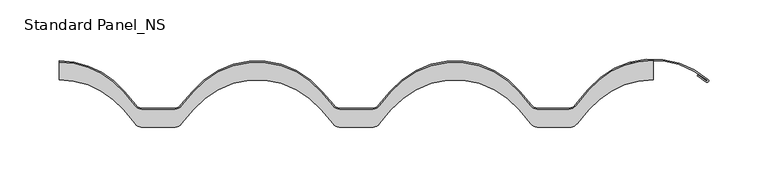
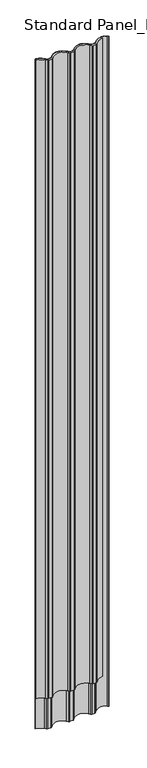
"""IFC4 building model written with IfcOpenShell, lengths in millimetres: proxy geometry, Standard Panel_NS."""

from ifc_helpers import new_model, si_unit, point, frame, frame_2d, origin, origin_with_axes, place, context, project, spatial, polyline, circle_curve, trimmed, segment, composite_curve, outline, extrude, source, transform, mapped, element, save


def standard_panel_ns_e6934e22(model_context):
    return source(origin(), model_context, "Body", "SweptSolid", [
        extrude(outline(composite_curve([segment(polyline([(-196.3208854, 29.9680851), (-186.533736, 18.3042146)]), True, "CONTINUOUS"), segment(trimmed(circle_curve(frame_2d((-179.4478249, 24.25)), 9.25), [point((-186.533736, 18.3042146))], [point((-179.4478249, 15.0))], True, "CARTESIAN"), True, "CONTINUOUS"), segment(polyline([(-179.4478249, 15.0), (-153.8901754, 15.0)]), True, "CONTINUOUS"), segment(trimmed(circle_curve(frame_2d((-153.8901754, 24.25)), 9.25), [point((-153.8901754, 15.0))], [point((-146.8042643, 18.3042146))], True, "CARTESIAN"), True, "CONTINUOUS"), segment(polyline([(-146.8042643, 18.3042146), (-137.0171149, 29.9680851)]), True, "CONTINUOUS"), segment(trimmed(circle_curve(frame_2d((-83.3360002, -15.0757185)), 70.0757185), [point((-137.0171149, 29.9680851))], [point((-29.6548854, 29.9680851))], False, "CARTESIAN"), True, "CONTINUOUS"), segment(polyline([(-29.6548854, 29.9680851), (-19.867736, 18.3042146)]), True, "CONTINUOUS"), segment(trimmed(circle_curve(frame_2d((-12.7818249, 24.25)), 9.25), [point((-19.867736, 18.3042146))], [point((-12.7818249, 15.0))], True, "CARTESIAN"), True, "CONTINUOUS"), segment(polyline([(-12.7818249, 15.0), (12.7758246, 15.0)]), True, "CONTINUOUS"), segment(trimmed(circle_curve(frame_2d((12.7758246, 24.25)), 9.25), [point((12.7758246, 15.0))], [point((19.8617357, 18.3042146))], True, "CARTESIAN"), True, "CONTINUOUS"), segment(polyline([(19.8617357, 18.3042146), (29.6488851, 29.9680851)]), True, "CONTINUOUS"), segment(trimmed(circle_curve(frame_2d((83.3299998, -15.0757185)), 70.0757185), [point((29.6488851, 29.9680851))], [point((137.0111146, 29.9680851))], False, "CARTESIAN"), True, "CONTINUOUS"), segment(polyline([(137.0111146, 29.9680851), (146.798264, 18.3042146)]), True, "CONTINUOUS"), segment(trimmed(circle_curve(frame_2d((153.8841751, 24.25)), 9.25), [point((146.798264, 18.3042146))], [point((153.8841751, 15.0))], True, "CARTESIAN"), True, "CONTINUOUS"), segment(polyline([(153.8841751, 15.0), (177.9886197, 15.0)]), True, "CONTINUOUS"), segment(trimmed(circle_curve(frame_2d((177.9886197, 24.5546837)), 9.5546837), [point((177.9886197, 15.0))], [point((185.3078486, 18.412952))], True, "CARTESIAN"), True, "CONTINUOUS"), segment(polyline([(185.3078486, 18.412952), (196.315903, 31.5314785)]), True, "CONTINUOUS"), segment(trimmed(circle_curve(frame_2d((249.9965208, -13.5131508)), 70.0758685), [point((196.315903, 31.5314785))], [point((249.9999091, 56.5627177))], False, "CARTESIAN"), True, "CONTINUOUS"), segment(polyline([(249.9999091, 56.5627177), (249.9999091, 39.9999999)]), True, "CONTINUOUS"), segment(trimmed(circle_curve(frame_2d((249.9967506, -30.5757185)), 70.5757185), [point((249.9999091, 39.9999999))], [point((195.93412, 14.7912741))], True, "CARTESIAN"), True, "CONTINUOUS"), segment(polyline([(195.93412, 14.7912741), (186.2053543, 3.1977644)]), True, "CONTINUOUS"), segment(trimmed(circle_curve(frame_2d((179.4425753, 8.75)), 8.75), [point((186.2053543, 3.1977644))], [point((179.4425753, 0.0))], False, "CARTESIAN"), True, "CONTINUOUS"), segment(polyline([(179.4425753, 0.0), (153.8842659, 0.0)]), True, "CONTINUOUS"), segment(trimmed(circle_curve(frame_2d((153.8842659, 8.75)), 8.75), [point((153.8842659, 0.0))], [point((147.181377, 3.1256084))], False, "CARTESIAN"), True, "CONTINUOUS"), segment(polyline([(147.181377, 3.1256084), (137.3942276, 14.7894789)]), True, "CONTINUOUS"), segment(trimmed(circle_curve(frame_2d((83.3300906, -30.5757185)), 70.5757185), [point((137.3942276, 14.7894789))], [point((29.2659536, 14.7894789))], True, "CARTESIAN"), True, "CONTINUOUS"), segment(polyline([(29.2659536, 14.7894789), (19.4788042, 3.1256084)]), True, "CONTINUOUS"), segment(trimmed(circle_curve(frame_2d((12.7759153, 8.75)), 8.75), [point((19.4788042, 3.1256084))], [point((12.7759153, 0.0))], False, "CARTESIAN"), True, "CONTINUOUS"), segment(polyline([(12.7759153, 0.0), (-12.7817341, 0.0)]), True, "CONTINUOUS"), segment(trimmed(circle_curve(frame_2d((-12.7817341, 8.75)), 8.75), [point((-12.7817341, 0.0))], [point((-19.484623, 3.1256084))], False, "CARTESIAN"), True, "CONTINUOUS"), segment(polyline([(-19.484623, 3.1256084), (-29.2717724, 14.7894789)]), True, "CONTINUOUS"), segment(trimmed(circle_curve(frame_2d((-83.3359094, -30.5757185)), 70.5757185), [point((-29.2717724, 14.7894789))], [point((-137.4000464, 14.7894789))], True, "CARTESIAN"), True, "CONTINUOUS"), segment(polyline([(-137.4000464, 14.7894789), (-147.1871958, 3.1256084)]), True, "CONTINUOUS"), segment(trimmed(circle_curve(frame_2d((-153.8900847, 8.75)), 8.75), [point((-147.1871958, 3.1256084))], [point((-153.8900847, 0.0))], False, "CARTESIAN"), True, "CONTINUOUS"), segment(polyline([(-153.8900847, 0.0), (-179.4477341, 0.0)]), True, "CONTINUOUS"), segment(trimmed(circle_curve(frame_2d((-179.4477341, 8.75)), 8.75), [point((-179.4477341, 0.0))], [point((-186.150623, 3.1256084))], False, "CARTESIAN"), True, "CONTINUOUS"), segment(polyline([(-186.150623, 3.1256084), (-195.9377724, 14.7894789)]), True, "CONTINUOUS"), segment(trimmed(circle_curve(frame_2d((-250.0019094, -30.5757185)), 70.5757185), [point((-195.9377724, 14.7894789))], [point((-250.0000002, 40.0))], True, "CARTESIAN"), True, "CONTINUOUS"), segment(polyline([(-250.0000002, 40.0), (-250.0000002, 55.0)]), True, "CONTINUOUS"), segment(trimmed(circle_curve(frame_2d((-250.0020002, -15.0757185)), 70.0757185), [point((-250.0000002, 55.0))], [point((-196.3208854, 29.9680851))], False, "CARTESIAN"), True, "CONTINUOUS")], self_intersect=False)), origin_with_axes(), (0.0, 0.0, 1.0), 5055.937104),
        extrude(outline(composite_curve([segment(polyline([(-195.5548409, 30.6108727), (-185.7676915, 18.9470022)]), True, "CONTINUOUS"), segment(trimmed(circle_curve(frame_2d((-179.4478249, 24.25)), 8.25), [point((-185.7676915, 18.9470022))], [point((-179.4478249, 16.0))], True, "CARTESIAN"), True, "CONTINUOUS"), segment(polyline([(-179.4478249, 16.0), (-153.8901754, 16.0)]), True, "CONTINUOUS"), segment(trimmed(circle_curve(frame_2d((-153.8901754, 24.25)), 8.25), [point((-153.8901754, 16.0))], [point((-147.5703088, 18.9470022))], True, "CARTESIAN"), True, "CONTINUOUS"), segment(polyline([(-147.5703088, 18.9470022), (-137.7831594, 30.6108727)]), True, "CONTINUOUS"), segment(trimmed(circle_curve(frame_2d((-83.3360002, -15.0757185)), 71.0757185), [point((-137.7831594, 30.6108727))], [point((-28.8888409, 30.6108727))], False, "CARTESIAN"), True, "CONTINUOUS"), segment(polyline([(-28.8888409, 30.6108727), (-19.1016915, 18.9470022)]), True, "CONTINUOUS"), segment(trimmed(circle_curve(frame_2d((-12.7818249, 24.25)), 8.25), [point((-19.1016915, 18.9470022))], [point((-12.7818249, 16.0))], True, "CARTESIAN"), True, "CONTINUOUS"), segment(polyline([(-12.7818249, 16.0), (12.7758246, 16.0)]), True, "CONTINUOUS"), segment(trimmed(circle_curve(frame_2d((12.7758246, 24.25)), 8.25), [point((12.7758246, 16.0))], [point((19.0956912, 18.9470022))], True, "CARTESIAN"), True, "CONTINUOUS"), segment(polyline([(19.0956912, 18.9470022), (28.8828406, 30.6108727)]), True, "CONTINUOUS"), segment(trimmed(circle_curve(frame_2d((83.3299998, -15.0757185)), 71.0757185), [point((28.8828406, 30.6108727))], [point((137.7771591, 30.6108727))], False, "CARTESIAN"), True, "CONTINUOUS"), segment(polyline([(137.7771591, 30.6108727), (147.5643085, 18.9470022)]), True, "CONTINUOUS"), segment(trimmed(circle_curve(frame_2d((153.8841751, 24.25)), 8.25), [point((147.5643085, 18.9470022))], [point((153.8841751, 16.0))], True, "CARTESIAN"), True, "CONTINUOUS"), segment(polyline([(153.8841751, 16.0), (177.9886197, 16.0)]), True, "CONTINUOUS"), segment(trimmed(circle_curve(frame_2d((177.9886197, 24.5546837)), 8.5546837), [point((177.9886197, 16.0))], [point((184.5418129, 19.05575))], True, "CARTESIAN"), True, "CONTINUOUS"), segment(polyline([(184.5418129, 19.05575), (195.5498673, 32.1742765)]), True, "CONTINUOUS"), segment(trimmed(circle_curve(frame_2d((249.9965208, -13.5131508)), 71.0758685), [point((195.5498673, 32.1742765))], [point((296.4302846, 40.2984155))], False, "CARTESIAN"), True, "CONTINUOUS"), segment(trimmed(circle_curve(frame_2d((295.5107918, 39.3124043)), 1.3482155), [point((296.4302846, 40.2984155))], [point((294.6709925, 38.2576901))], False, "CARTESIAN"), True, "CONTINUOUS"), segment(polyline([(294.6709925, 38.2576901), (287.1924343, 43.4663257), (287.7639542, 44.2869139), (295.2774083, 39.0539742)]), True, "CONTINUOUS"), segment(trimmed(circle_curve(frame_2d((295.5107918, 39.3124043)), 0.3482155), [point((295.2774083, 39.0539742))], [point((295.7576614, 39.5579841))], True, "CARTESIAN"), True, "CONTINUOUS"), segment(trimmed(circle_curve(frame_2d((249.9965208, -13.5131508)), 70.0758685), [point((295.7576614, 39.5579841))], [point((196.315903, 31.5314785))], True, "CARTESIAN"), True, "CONTINUOUS"), segment(polyline([(196.315903, 31.5314785), (185.3078486, 18.412952)]), True, "CONTINUOUS"), segment(trimmed(circle_curve(frame_2d((177.9886197, 24.5546837)), 9.5546837), [point((185.3078486, 18.412952))], [point((177.9886197, 15.0))], False, "CARTESIAN"), True, "CONTINUOUS"), segment(polyline([(177.9886197, 15.0), (153.8841751, 15.0)]), True, "CONTINUOUS"), segment(trimmed(circle_curve(frame_2d((153.8841751, 24.25)), 9.25), [point((153.8841751, 15.0))], [point((146.798264, 18.3042146))], False, "CARTESIAN"), True, "CONTINUOUS"), segment(polyline([(146.798264, 18.3042146), (137.0111146, 29.9680851)]), True, "CONTINUOUS"), segment(trimmed(circle_curve(frame_2d((83.3299998, -15.0757185)), 70.0757185), [point((137.0111146, 29.9680851))], [point((29.6488851, 29.9680851))], True, "CARTESIAN"), True, "CONTINUOUS"), segment(polyline([(29.6488851, 29.9680851), (19.8617357, 18.3042146)]), True, "CONTINUOUS"), segment(trimmed(circle_curve(frame_2d((12.7758246, 24.25)), 9.25), [point((19.8617357, 18.3042146))], [point((12.7758246, 15.0))], False, "CARTESIAN"), True, "CONTINUOUS"), segment(polyline([(12.7758246, 15.0), (-12.7818249, 15.0)]), True, "CONTINUOUS"), segment(trimmed(circle_curve(frame_2d((-12.7818249, 24.25)), 9.25), [point((-12.7818249, 15.0))], [point((-19.867736, 18.3042146))], False, "CARTESIAN"), True, "CONTINUOUS"), segment(polyline([(-19.867736, 18.3042146), (-29.6548854, 29.9680851)]), True, "CONTINUOUS"), segment(trimmed(circle_curve(frame_2d((-83.3360002, -15.0757185)), 70.0757185), [point((-29.6548854, 29.9680851))], [point((-137.0171149, 29.9680851))], True, "CARTESIAN"), True, "CONTINUOUS"), segment(polyline([(-137.0171149, 29.9680851), (-146.8042643, 18.3042146)]), True, "CONTINUOUS"), segment(trimmed(circle_curve(frame_2d((-153.8901754, 24.25)), 9.25), [point((-146.8042643, 18.3042146))], [point((-153.8901754, 15.0))], False, "CARTESIAN"), True, "CONTINUOUS"), segment(polyline([(-153.8901754, 15.0), (-179.4478249, 15.0)]), True, "CONTINUOUS"), segment(trimmed(circle_curve(frame_2d((-179.4478249, 24.25)), 9.25), [point((-179.4478249, 15.0))], [point((-186.533736, 18.3042146))], False, "CARTESIAN"), True, "CONTINUOUS"), segment(polyline([(-186.533736, 18.3042146), (-196.3208854, 29.9680851)]), True, "CONTINUOUS"), segment(trimmed(circle_curve(frame_2d((-250.0020002, -15.0757185)), 70.0757185), [point((-196.3208854, 29.9680851))], [point((-250.0000002, 55.0))], True, "CARTESIAN"), True, "CONTINUOUS"), segment(polyline([(-250.0000002, 55.0), (-250.0000002, 56.0)]), True, "CONTINUOUS"), segment(trimmed(circle_curve(frame_2d((-250.0020002, -15.0757185)), 71.0757185), [point((-250.0000002, 56.0))], [point((-195.5548409, 30.6108727))], False, "CARTESIAN"), True, "CONTINUOUS")], self_intersect=False)), frame((0.0, 0.0, -250.0), z_axis=(0.0, 0.0, 1.0), x_axis=(1.0, 0.0, 0.0)), (0.0, 0.0, 1.0), 5305.937104),
    ])


if __name__ == "__main__":
    model = new_model("IFC4")
    model_context = context("Model", 3, world=origin())
    ifc_project = project(units=[si_unit("LENGTHUNIT", "METRE", prefix="MILLI")], contexts=[model_context])
    site = spatial("IfcSite", under=ifc_project)
    building = spatial("IfcBuilding", under=site)
    placement = place(None, origin())
    standard_panel_ns_shape = standard_panel_ns_e6934e22(model_context)
    element("IfcBuildingElementProxy", 1, Name="Standard Panel_NS", ObjectType="Standard Panel_NS", at=placement, inside=building, context=model_context, shape_type="MappedRepresentation", body=[
        mapped(standard_panel_ns_shape, transform((0.0, 0.0, 0.0), x_axis=(1.0, 0.0, 0.0), y_axis=(0.0, 1.0, 0.0), z_axis=(0.0, 0.0, 1.0))),
    ])
    save(model, "model.ifc")
